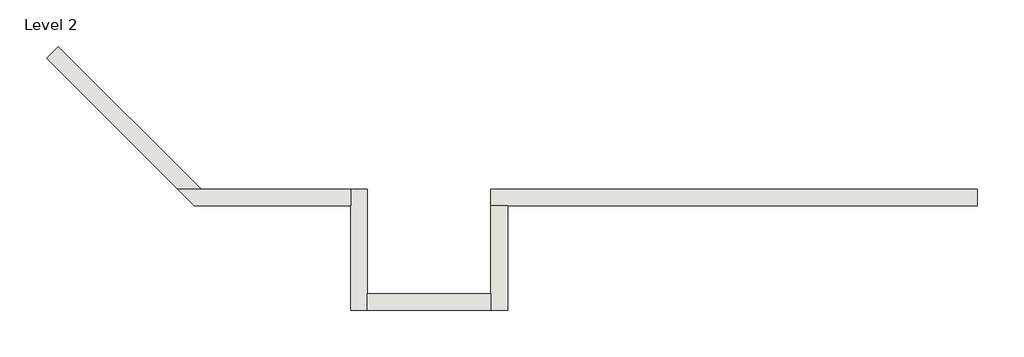
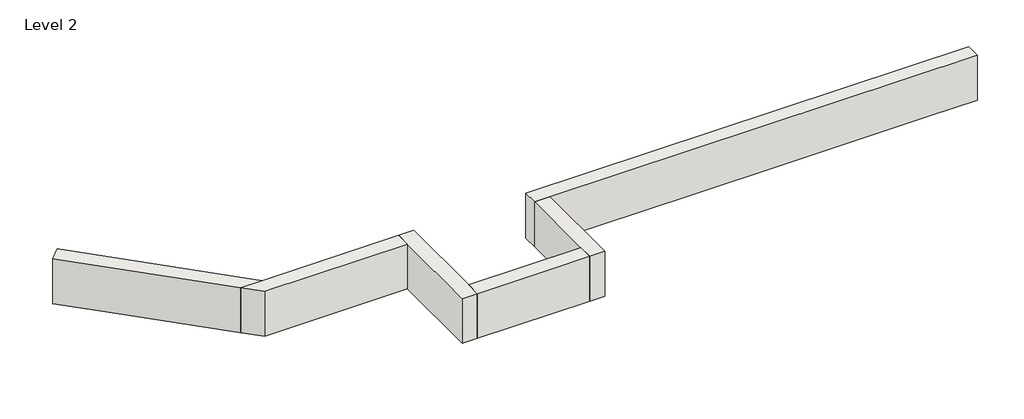
# One storey: 6 walls.
"""IFC4 building model written with IfcOpenShell, lengths in millimetres."""

from ifc_helpers import new_model, si_unit, frame, origin, place, context, project, spatial, polyline, outline, extrude, faceted_brep, element, save

model = new_model("IFC4")

# Units and contexts
model_context = context("Model", 3, world=origin())
ifc_project = project(units=[si_unit("LENGTHUNIT", "METRE", prefix="MILLI")], contexts=[model_context])

# Site, building, storey
site = spatial("IfcSite", under=ifc_project)
building = spatial("IfcBuilding", under=site)
storey = spatial("IfcBuildingStorey", under=building, Name="Level 2", Elevation=3048.0)

# Walls
placement = place(None, origin())
element("IfcWall", 1, ObjectType="Generic - 8\" Brick", at=placement, inside=storey, context=model_context, shape_type="Brep", body=[
    faceted_brep([(7315.157857, 1412.8726187, 3048.0), (6705.557857, 1412.8726187, 3048.0), (4876.757857, 1412.8726187, 3048.0), (3657.557857, 1412.8726187, 3048.0), (1635.0852383, 1412.8726187, 3048.0), (1635.0852383, 1412.8726187, 3657.6), (7315.157857, 1412.8726187, 3657.6), (7315.157857, 1219.1976187, 3048.0), (7315.157857, 1219.1976187, 3657.6), (1828.7602383, 1219.1976187, 3657.6), (1635.0852383, 1219.1976187, 3657.6), (1635.0852383, 1219.1976187, 3048.0), (1828.7602383, 1219.1976187, 3048.0), (3657.557857, 1219.1976187, 3048.0), (4876.757857, 1219.1976187, 3048.0), (6705.557857, 1219.1976187, 3048.0)], [[[0, 1, 2, 3, 4, 5, 6]], [[7, 8, 9, 10, 11, 12, 13, 14, 15]], [[4, 3, 2, 1, 0, 7, 15, 14, 13, 12, 11]], [[6, 5, 10, 9, 8]], [[0, 6, 8, 7]], [[5, 4, 11, 10]]]),
])
element("IfcWall", 2, ObjectType="Generic - 8\" Brick", at=placement, inside=storey, context=model_context, shape_type="Brep", body=[
    faceted_brep([(1635.0852383, 1219.1976187, 3048.0), (1635.0852383, 193.675, 3048.0), (1635.0852383, 0.0, 3048.0), (1635.0852383, 0.0, 3657.6), (1635.0852383, 193.675, 3657.6), (1635.0852383, 1219.1976187, 3657.6), (1828.7602383, 1219.1976187, 3048.0), (1828.7602383, 1219.1976187, 3657.6), (1828.7602383, 0.0, 3657.6), (1828.7602383, 0.0, 3048.0)], [[[0, 1, 2, 3, 4, 5]], [[6, 7, 8, 9]], [[2, 1, 0, 6, 9]], [[5, 4, 3, 8, 7]], [[0, 5, 7, 6]], [[3, 2, 9, 8]]]),
])
element("IfcWall", 3, ObjectType="Generic - 8\" Brick", at=placement, inside=storey, context=model_context, shape_type="SweptSolid", body=[
    extrude(outline(polyline([(193.632857, 193.675), (1635.0852383, 193.675), (1635.0852383, 0.0), (193.632857, 0.0), (193.632857, 193.675)])), frame((0.0, 0.0, 3048.0), z_axis=(0.0, 0.0, 1.0), x_axis=(1.0, 0.0, 0.0)), (0.0, 0.0, 1.0), 609.6),
])
element("IfcWall", 4, ObjectType="Generic - 8\" Brick", at=placement, inside=storey, context=model_context, shape_type="Brep", body=[
    faceted_brep([(193.632857, 0.0, 3048.0), (193.632857, 193.675, 3048.0), (193.632857, 1412.8726187, 3048.0), (193.632857, 1412.8726187, 3657.6), (193.632857, 193.675, 3657.6), (193.632857, 0.0, 3657.6), (-0.042143, 0.0, 3048.0), (-0.042143, 0.0, 3657.6), (-0.042143, 1219.1976187, 3657.6), (-0.042143, 1412.8726187, 3657.6), (-0.042143, 1412.8726187, 3048.0), (-0.042143, 1219.1976187, 3048.0)], [[[0, 1, 2, 3, 4, 5]], [[6, 7, 8, 9, 10, 11]], [[2, 1, 0, 6, 11, 10]], [[5, 4, 3, 9, 8, 7]], [[0, 5, 7, 6]], [[3, 2, 10, 9]]]),
])
element("IfcWall", 5, ObjectType="Generic - 8\" Brick", at=placement, inside=storey, context=model_context, shape_type="Brep", body=[
    faceted_brep([(-0.042143, 1412.8726187, 3048.0), (-1748.6203176, 1412.8726187, 3048.0), (-2022.5181293, 1412.8726187, 3048.0), (-2022.5181293, 1412.8726187, 3657.6), (-1748.6203176, 1412.8726187, 3657.6), (-0.042143, 1412.8726187, 3657.6), (-0.042143, 1219.1976187, 3048.0), (-0.042143, 1219.1976187, 3657.6), (-1828.8431293, 1219.1976187, 3657.6), (-1828.8431293, 1219.1976187, 3048.0)], [[[0, 1, 2, 3, 4, 5]], [[6, 7, 8, 9]], [[2, 1, 0, 6, 9]], [[5, 4, 3, 8, 7]], [[0, 5, 7, 6]], [[3, 2, 9, 8]]]),
])
element("IfcWall", 6, ObjectType="Generic - 8\" Brick", at=placement, inside=storey, context=model_context, shape_type="Brep", body=[
    faceted_brep([(-1748.6203176, 1412.8726187, 3048.0), (-2985.0518024, 2649.3041035, 3048.0), (-3416.1040962, 3080.3563973, 3048.0), (-3416.1040962, 3080.3563973, 3657.6), (-1748.6203176, 1412.8726187, 3657.6), (-2022.5181293, 1412.8726187, 3048.0), (-2022.5181293, 1412.8726187, 3657.6), (-3553.053002, 2943.4074914, 3657.6), (-3553.053002, 2943.4074914, 3048.0), (-3122.0007082, 2512.3551976, 3048.0)], [[[0, 1, 2, 3, 4]], [[5, 6, 7, 8, 9]], [[2, 1, 0, 5, 9, 8]], [[3, 2, 8, 7]], [[4, 3, 7, 6]], [[0, 4, 6, 5]]]),
])

save(model, "model.ifc")
